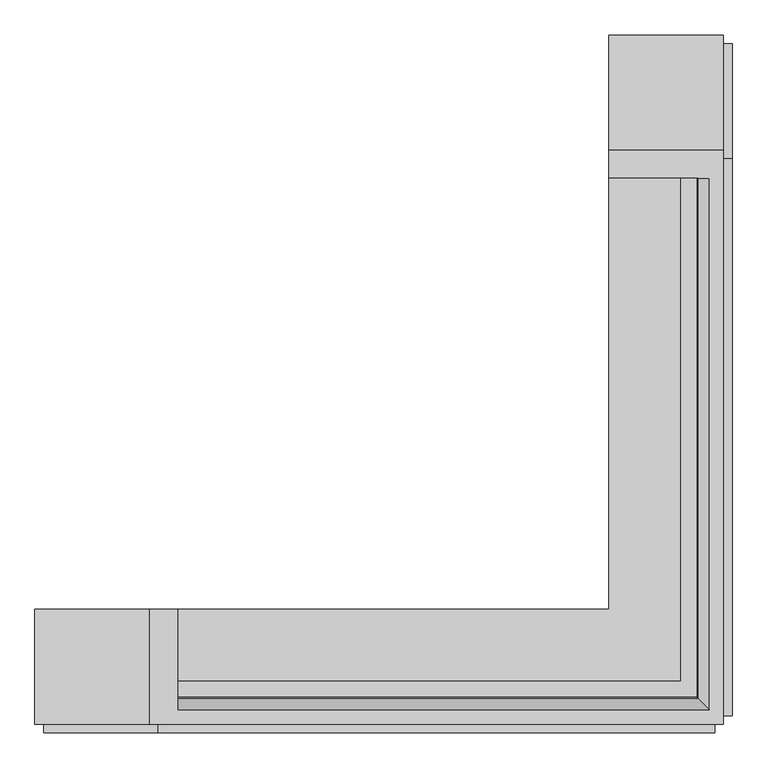
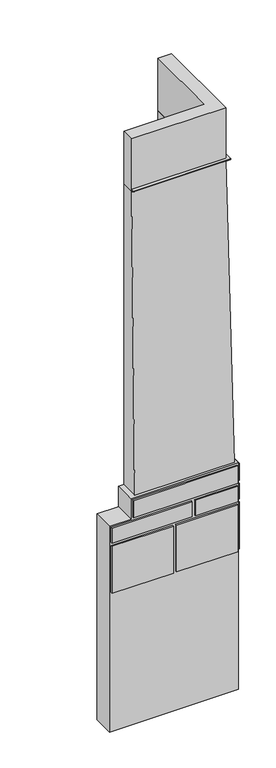
"""IFC4 building model written with IfcOpenShell, lengths in millimetres: furniture geometry."""

import ifcopenshell
import ifcopenshell.guid

model = None  # the IFC model being written
_history = None  # IfcOwnerHistory: only IFC2X3 demands one
_inside = {}  # id of a spatial element -> (the spatial element, [elements in it])
_under = {}  # id of a project, library or spatial element -> (it, [spatial elements below it])
_declared = {}  # id of a project -> (the project, [libraries it declares])
_typed = {}  # id of a type object -> (the type object, [elements of that type])
_made_of = {}  # id of a material, layer set ... -> (it, [elements and type objects made of it])


def new_model(schema):
    """Start an empty IFC model of exactly this schema.

    Asked for "IFC4X3", IfcOpenShell would pick the latest addendum, in which some entities
    have other attributes; the version numbers below select the first issue.
    IFC2X3 requires an IfcOwnerHistory on every rooted entity: one is made here for all.
    """
    global model, _history
    if schema == "IFC4X3":
        model = ifcopenshell.file(schema_version=(4, 3, 0, 0))
    else:
        model = ifcopenshell.file(schema=schema)
    _inside.clear()
    _under.clear()
    _declared.clear()
    _typed.clear()
    _made_of.clear()
    _history = None
    if model.schema == "IFC2X3":
        org = make("IfcOrganization", Name="unknown")
        user = make(
            "IfcPersonAndOrganization",
            ThePerson=make("IfcPerson", FamilyName="unknown"),
            TheOrganization=org,
        )
        app = make(
            "IfcApplication",
            ApplicationDeveloper=org,
            Version="unknown",
            ApplicationFullName="unknown",
            ApplicationIdentifier="unknown",
        )
        _history = make(
            "IfcOwnerHistory",
            OwningUser=user,
            OwningApplication=app,
            ChangeAction="ADDED",
            CreationDate=0,
        )
    return model


def make(cls, **values):
    """One entity of the class cls with the attributes given. An attribute that is None is left unset."""
    return model.create_entity(
        cls, **{name: value for name, value in values.items() if value is not None}
    )


def rooted(cls, **values):
    """An entity with a GlobalId (a new one), such as an element, a storey or a relation."""
    return make(cls, GlobalId=ifcopenshell.guid.new(), OwnerHistory=_history, **values)


def si_unit(unit_type, name, prefix=None):
    """IfcSIUnit, for example si_unit("LENGTHUNIT", "METRE", prefix="MILLI")."""
    return make("IfcSIUnit", UnitType=unit_type, Prefix=prefix, Name=name)


def assignment(units):
    """IfcUnitAssignment: the units of a project."""
    return None if units is None else make("IfcUnitAssignment", Units=units)


def point(xyz):
    """IfcCartesianPoint."""
    return None if xyz is None else make("IfcCartesianPoint", Coordinates=xyz)


def direction(xyz):
    """IfcDirection."""
    return None if xyz is None else make("IfcDirection", DirectionRatios=xyz)


def frame(location, z_axis=None, x_axis=None):
    """IfcAxis2Placement3D, a coordinate frame: its origin and axes. An axis left out is left unset."""
    return make(
        "IfcAxis2Placement3D",
        Location=point(location),
        Axis=direction(z_axis),
        RefDirection=direction(x_axis),
    )


def origin():
    """The frame at (0, 0, 0) with its axes left unset."""
    return frame((0.0, 0.0, 0.0))


def place(relative_to, where):
    """IfcLocalPlacement: puts the frame where relative to a parent placement (None: the world)."""
    return make(
        "IfcLocalPlacement", PlacementRelTo=relative_to, RelativePlacement=where
    )


def context(
    kind, dimensions, precision=None, world=None, true_north=None, identifier=None
):
    """IfcGeometricRepresentationContext, for example the 3D "Model" context."""
    return make(
        "IfcGeometricRepresentationContext",
        ContextIdentifier=identifier,
        ContextType=kind,
        CoordinateSpaceDimension=dimensions,
        Precision=precision,
        WorldCoordinateSystem=world,
        TrueNorth=true_north,
    )


def project(units=None, contexts=None):
    """IfcProject with its units and contexts."""
    return rooted(
        "IfcProject",
        Name="project",
        RepresentationContexts=contexts,
        UnitsInContext=assignment(units),
    )


def spatial(cls, under=None, at=None, **own):
    """A site, building, storey or space (cls), placed at a placement, below another one or the project."""
    s = rooted(cls, ObjectPlacement=at, **own)
    if under is not None:
        _under.setdefault(under.id(), (under, []))[1].append(s)
    return s


def polyline(points):
    """IfcPolyline through the points."""
    return make("IfcPolyline", Points=[point(p) for p in points])


def circle_curve(where, radius):
    """IfcCircle in the frame where."""
    return make("IfcCircle", Position=where, Radius=radius)


def ellipse_curve(where, semi_axis1, semi_axis2):
    """IfcEllipse in the frame where."""
    return make(
        "IfcEllipse", Position=where, SemiAxis1=semi_axis1, SemiAxis2=semi_axis2
    )


def outline(outer, holes=None, kind="AREA"):
    """IfcArbitraryClosedProfileDef: a profile drawn as a closed curve; with holes, ...WithVoids."""
    if holes is None:
        return make("IfcArbitraryClosedProfileDef", ProfileType=kind, OuterCurve=outer)
    return make(
        "IfcArbitraryProfileDefWithVoids",
        ProfileType=kind,
        OuterCurve=outer,
        InnerCurves=holes,
    )


def extrude(swept, where, along, depth):
    """IfcExtrudedAreaSolid: the profile swept, set in the frame where, extruded along a direction by depth."""
    return make(
        "IfcExtrudedAreaSolid",
        SweptArea=swept,
        Position=where,
        ExtrudedDirection=direction(along),
        Depth=depth,
    )


def faces_of(points, faces, orient=None, outer=None):
    """IfcFace entities. A face is a list of loops; a loop is a list of indices into points, from 0.

    orient and outer hold one flag for each loop. By default every Orientation is true, the
    first loop of a face is its IfcFaceOuterBound and the others are IfcFaceBound.
    """
    made = []
    for i, loops in enumerate(faces):
        bounds = []
        for j, loop in enumerate(loops):
            is_outer = j == 0 if outer is None else outer[i][j]
            bounds.append(
                make(
                    "IfcFaceOuterBound" if is_outer else "IfcFaceBound",
                    Bound=make("IfcPolyLoop", Polygon=[points[k] for k in loop]),
                    Orientation=True if orient is None else orient[i][j],
                )
            )
        made.append(make("IfcFace", Bounds=bounds))
    return made


def faceted_brep(points, faces, orient=None, outer=None, voids=None):
    """IfcFacetedBrep: a solid bounded by flat faces; with voids (closed shells), ...WithVoids."""
    shared = [point(p) for p in points]
    hull = make("IfcClosedShell", CfsFaces=faces_of(shared, faces, orient, outer))
    if voids is None:
        return make("IfcFacetedBrep", Outer=hull)
    return make(
        "IfcFacetedBrepWithVoids",
        Outer=hull,
        Voids=[
            make(cls, CfsFaces=faces_of(shared, fs, o, b)) for cls, fs, o, b in voids
        ],
    )


def shape(context_of_items, identifier, shape_type, items):
    """IfcShapeRepresentation: the items that make up one representation, for example the "Body"."""
    return make(
        "IfcShapeRepresentation",
        ContextOfItems=context_of_items,
        RepresentationIdentifier=identifier,
        RepresentationType=shape_type,
        Items=items,
    )


def source(mapping_origin, context_of_items, identifier, shape_type, items):
    """IfcRepresentationMap: a shape defined once, which mapped items show again and again."""
    return make(
        "IfcRepresentationMap",
        MappingOrigin=mapping_origin,
        MappedRepresentation=shape(context_of_items, identifier, shape_type, items),
    )


def transform(
    local_origin,
    x_axis=None,
    y_axis=None,
    z_axis=None,
    scale=None,
    scale2=None,
    scale3=None,
    uniform=True,
):
    """IfcCartesianTransformationOperator3D, or its non-uniform kind. x_axis, y_axis, z_axis: its Axis1, 2, 3."""
    if uniform:
        return make(
            "IfcCartesianTransformationOperator3D",
            Axis1=direction(x_axis),
            Axis2=direction(y_axis),
            LocalOrigin=point(local_origin),
            Scale=scale,
            Axis3=direction(z_axis),
        )
    return make(
        "IfcCartesianTransformationOperator3DnonUniform",
        Axis1=direction(x_axis),
        Axis2=direction(y_axis),
        LocalOrigin=point(local_origin),
        Scale=scale,
        Axis3=direction(z_axis),
        Scale2=scale2,
        Scale3=scale3,
    )


def mapped(mapping_source, mapping_target):
    """IfcMappedItem: shows the shape of a source again, moved by a transform."""
    return make(
        "IfcMappedItem", MappingSource=mapping_source, MappingTarget=mapping_target
    )


def made_of(thing, what):
    """Note that an element or type object is made of a material, layer set ...; save() writes the relation."""
    if what is not None:
        _made_of.setdefault(what.id(), (what, []))[1].append(thing)
    return thing


def element(
    cls,
    number,
    at=None,
    inside=None,
    cuts=None,
    type_object=None,
    material=None,
    context=None,
    identifier="Body",
    shape_type=None,
    held_by="IfcProductDefinitionShape",
    body=None,
    shapes=None,
    **own,
):
    """One element of the class cls, such as IfcWall. Its Tag is "e" and its number.

    at: its placement. inside: the storey or other place that contains it. cuts: it is an
    opening in that element (IfcRelVoidsElement). A single representation is given by context,
    identifier, shape_type and body (its items); several are given by shapes. held_by: the class
    of the entity that holds the representations. save() writes the other relations.
    """
    e = rooted(cls, Tag="e%d" % number, ObjectPlacement=at, **own)
    if body is not None:
        shapes = [shape(context, identifier, shape_type, body)]
    if shapes is not None:
        e.Representation = make(held_by, Representations=shapes)
    if inside is not None:
        _inside.setdefault(inside.id(), (inside, []))[1].append(e)
    if cuts is not None:
        rooted(
            "IfcRelVoidsElement", RelatingBuildingElement=cuts, RelatedOpeningElement=e
        )
    if type_object is not None:
        _typed.setdefault(type_object.id(), (type_object, []))[1].append(e)
    return made_of(e, material)


def aggregate(whole, parts):
    """IfcRelAggregates: a whole, such as a stair, and the parts it consists of."""
    return rooted("IfcRelAggregates", RelatingObject=whole, RelatedObjects=parts)


def save(model, path):
    """Write the relations noted so far, then the file.

    IfcRelAggregates (storeys below a building ...), IfcRelContainedInSpatialStructure (elements
    in a storey), IfcRelDefinesByType, IfcRelAssociatesMaterial and IfcRelDeclares: one each for
    every whole, place, type object, material and project.
    """
    for whole, parts in _under.values():
        aggregate(whole, parts)
    for where, things in _inside.values():
        rooted(
            "IfcRelContainedInSpatialStructure",
            RelatedElements=things,
            RelatingStructure=where,
        )
    for kind, things in _typed.values():
        rooted("IfcRelDefinesByType", RelatedObjects=things, RelatingType=kind)
    for what, things in _made_of.values():
        rooted("IfcRelAssociatesMaterial", RelatedObjects=things, RelatingMaterial=what)
    for by, libraries in _declared.values():
        rooted("IfcRelDeclares", RelatingContext=by, RelatedDefinitions=libraries)
    model.write(path)


def plane_surface(at):
    """IfcPlane: the flat surface through the origin of the frame at, square to its z axis."""
    return make("IfcPlane", Position=at)


def cylinder_surface(at, radius):
    """IfcCylindricalSurface: all points at the distance radius from the z axis of the frame at."""
    return make("IfcCylindricalSurface", Position=at, Radius=radius)


def advanced_brep(points, edges, surfaces, faces):
    """IfcAdvancedBrep: a solid bounded by faces that lie on surfaces and meet in shared edges.

    An edge is (start, end): straight between two places in points (the first is 0);
    or (start, end, curve); or (start, end, curve, False) where it runs against its curve.
    A face is (place in surfaces, loops), or (place, loops, False) where it looks against
    its surface's normal. A loop lists edges by number (the first is 1), with a minus sign
    where the edge is run from its end to its start. The first loop is the outer one.
    """
    corners = [point(p) for p in points]
    vertices = [make("IfcVertexPoint", VertexGeometry=c) for c in corners]
    made = []
    for start, end, *more in edges:
        made.append(
            make(
                "IfcEdgeCurve",
                EdgeStart=vertices[start],
                EdgeEnd=vertices[end],
                EdgeGeometry=more[0] if more else make("IfcPolyline", Points=[corners[start], corners[end]]),
                SameSense=more[1] if len(more) > 1 else True,
            )
        )
    hull = []
    for where, loops, *sense in faces:
        bounds = []
        for j, loop in enumerate(loops):
            ring = [make("IfcOrientedEdge", EdgeElement=made[abs(k) - 1], Orientation=k > 0) for k in loop]
            bounds.append(
                make(
                    "IfcFaceOuterBound" if j == 0 else "IfcFaceBound",
                    Bound=make("IfcEdgeLoop", EdgeList=ring),
                    Orientation=True,
                )
            )
        hull.append(make("IfcAdvancedFace", Bounds=bounds, FaceSurface=surfaces[where], SameSense=sense[0] if sense else True))
    return make("IfcAdvancedBrep", Outer=make("IfcClosedShell", CfsFaces=hull))


def furniture_474aa747(model_context):
    return source(origin(), model_context, "Body", "SolidModel", [
        faceted_brep([(310.2319964, -362.5924503, -130.0), (310.2319964, 1637.4075497, -130.0), (710.2319964, 1637.4075497, -130.0), (710.2319964, -762.5924503, -130.0), (-1689.7680036, -762.5924503, -130.0), (-1689.7680036, -362.5924503, -130.0), (310.2319964, 1637.4075497, 3910.0), (710.2319964, 1637.4075497, 3910.0), (-1689.7680036, -762.5924503, 3910.0), (-1689.7680036, -362.5924503, 3910.0), (-1289.7680036, -762.5924503, 3910.0), (-1289.7680036, -362.5924503, 3910.0), (310.2319964, 1237.4075497, 3910.0), (710.2319964, 1237.4075497, 3910.0), (310.2319964, -362.5924503, 4310.0), (-1289.7680036, -362.5924503, 4310.0), (-1289.7680036, -762.5924503, 4310.0), (710.2319964, -762.5924503, 4310.0), (710.2319964, 1237.4075497, 4310.0), (310.2319964, 1237.4075497, 4310.0)], [[[0, 1, 2, 3, 4, 5]], [[6, 7, 2, 1]], [[8, 9, 5, 4]], [[9, 8, 10, 11]], [[7, 6, 12, 13]], [[14, 15, 16, 17, 18, 19]], [[15, 14, 0, 5, 9, 11]], [[16, 15, 11, 10]], [[17, 16, 10, 8, 4, 3]], [[18, 17, 3, 2, 7, 13]], [[19, 18, 13, 12]], [[0, 14, 19, 12, 6, 1]]]),
        advanced_brep(
        [(-1189.7680036, -612.5924503, 10210.0), (-1189.7680036, -622.5924503, 10210.0), (-1189.7680036, -632.1318423, 10223.0), (-1189.7680036, -642.5924503, 10223.0), (-1189.7680036, -652.1318423, 10236.0), (-1189.7680036, -662.5924503, 10236.0), (-1189.7680036, -672.5924503, 10246.0), (-1189.7680036, -672.5924503, 10249.0), (-1189.7680036, -669.4147832, 10252.177667), (-1189.7680036, -612.5924503, 10252.177667), (560.2319964, -612.5924503, 10210.0), (560.2319964, 1137.4075497, 10210.0), (570.2319964, 1137.4075497, 10210.0), (570.2319964, -622.5924503, 10210.0), (579.7713884, -632.1318423, 10223.0), (579.7713884, 1137.4075497, 10223.0), (590.2319964, 1137.4075497, 10223.0), (590.2319964, -642.5924503, 10223.0), (599.7713884, -652.1318423, 10236.0), (599.7713884, 1137.4075497, 10236.0), (610.2319964, 1137.4075497, 10236.0), (610.2319964, -662.5924503, 10236.0), (620.2319964, -672.5924503, 10246.0), (620.2319964, -672.5924503, 10249.0), (617.0543293, -669.4147832, 10252.177667), (617.0543293, 1137.4075497, 10252.177667), (560.2319964, 1137.4075497, 10252.177667), (560.2319964, -612.5924503, 10252.177667), (620.2319964, 1137.4075497, 10249.0), (620.2319964, 1137.4075497, 10246.0)],
        [
            (0, 1),
            (1, 2, circle_curve(frame((-1189.7680036, -622.5924503, 10220.0), z_axis=(-1.0, 0.0, 0.0), x_axis=(0.0, -1.0, 0.0)), 10.0)),
            (2, 3),
            (3, 4, circle_curve(frame((-1189.7680036, -642.5924503, 10233.0), z_axis=(-1.0, 0.0, 0.0), x_axis=(0.0, -1.0, 0.0)), 10.0)),
            (4, 5),
            (5, 6, circle_curve(frame((-1189.7680036, -662.5924503, 10246.0), z_axis=(-1.0, 0.0, 0.0), x_axis=(0.0, -1.0, 0.0)), 10.0)),
            (6, 7),
            (7, 8, circle_curve(frame((-1189.7680036, -669.4147832, 10249.0), z_axis=(-1.0, 0.0, 0.0), x_axis=(0.0, -1.0, 0.0)), 3.177667)),
            (8, 9),
            (9, 0),
            (0, 10),
            (10, 11),
            (11, 12),
            (12, 13),
            (13, 1),
            (13, 14, ellipse_curve(frame((570.2319964, -622.5924503, 10220.0), z_axis=(-0.7071067811865475, -0.7071067811865476, 0.0), x_axis=(-0.7071067811865476, 0.7071067811865475, 0.0)), 14.1421356, 10.0)),
            (14, 2),
            (14, 15),
            (15, 16),
            (16, 17),
            (17, 3),
            (17, 18, ellipse_curve(frame((590.2319964, -642.5924503, 10233.0), z_axis=(-0.7071067811865475, -0.7071067811865476, 0.0), x_axis=(-0.7071067811865476, 0.7071067811865475, 0.0)), 14.1421356, 10.0)),
            (18, 4),
            (18, 19),
            (19, 20),
            (20, 21),
            (21, 5),
            (21, 22, ellipse_curve(frame((610.2319964, -662.5924503, 10246.0), z_axis=(-0.7071067811865475, -0.7071067811865476, 0.0), x_axis=(-0.7071067811865476, 0.7071067811865475, 0.0)), 14.1421356, 10.0)),
            (22, 6),
            (7, 23),
            (23, 24, ellipse_curve(frame((617.0543293, -669.4147832, 10249.0), z_axis=(-0.7071067811865475, -0.7071067811865476, 0.0), x_axis=(-0.7071067811865476, 0.7071067811865475, 0.0)), 4.4938998, 3.177667)),
            (24, 8),
            (24, 25),
            (25, 26),
            (26, 27),
            (27, 9),
            (27, 10),
            (11, 26),
            (25, 28, circle_curve(frame((617.0543293, 1137.4075497, 10249.0), z_axis=(0.0, 1.0, 0.0), x_axis=(1.0, 0.0, 0.0)), 3.177667)),
            (28, 29),
            (29, 20, circle_curve(frame((610.2319964, 1137.4075497, 10246.0), z_axis=(0.0, 1.0, 0.0), x_axis=(1.0, 0.0, 0.0)), 10.0)),
            (19, 16, circle_curve(frame((590.2319964, 1137.4075497, 10233.0), z_axis=(0.0, 1.0, 0.0), x_axis=(1.0, 0.0, 0.0)), 10.0)),
            (15, 12, circle_curve(frame((570.2319964, 1137.4075497, 10220.0), z_axis=(0.0, 1.0, 0.0), x_axis=(1.0, 0.0, 0.0)), 10.0)),
            (29, 22),
            (23, 28),
            (22, 23),
        ],
        [
            plane_surface(frame((-1189.7680036, -612.5924503, 10210.0), z_axis=(-1.0, 0.0, 0.0), x_axis=(0.0, 0.0, 1.0))),
            plane_surface(frame((-1189.7680036, -612.5924503, 10210.0), z_axis=(0.0, 0.0, -1.0), x_axis=(1.0, 0.0, 0.0))),
            cylinder_surface(frame((-1189.7680036, -622.5924503, 10220.0), z_axis=(-1.0, 0.0, 0.0), x_axis=(0.0, -1.0, 0.0)), 10.0),
            plane_surface(frame((-1189.7680036, -632.1318423, 10223.0), z_axis=(0.0, 0.0, -1.0), x_axis=(1.0, 0.0, 0.0))),
            cylinder_surface(frame((-1189.7680036, -642.5924503, 10233.0), z_axis=(-1.0, 0.0, 0.0), x_axis=(0.0, -1.0, 0.0)), 10.0),
            plane_surface(frame((-1189.7680036, -652.1318423, 10236.0), z_axis=(0.0, 0.0, -1.0), x_axis=(1.0, 0.0, 0.0))),
            cylinder_surface(frame((-1189.7680036, -662.5924503, 10246.0), z_axis=(-1.0, 0.0, 0.0), x_axis=(0.0, -1.0, 0.0)), 10.0),
            cylinder_surface(frame((-1189.7680036, -669.4147832, 10249.0), z_axis=(-1.0, 0.0, 0.0), x_axis=(0.0, -1.0, 0.0)), 3.177667),
            plane_surface(frame((-1189.7680036, -669.4147832, 10252.177667), z_axis=(0.0, 0.0, 1.0), x_axis=(1.0, 0.0, 0.0))),
            plane_surface(frame((-1189.7680036, -612.5924503, 10252.177667), z_axis=(0.0, 1.0, 0.0), x_axis=(1.0, 0.0, 0.0))),
            plane_surface(frame((560.2319964, 1137.4075497, 10210.0), z_axis=(0.0, 1.0, 0.0), x_axis=(0.0, 0.0, 1.0))),
            cylinder_surface(frame((570.2319964, -612.5924503, 10220.0), z_axis=(0.0, -1.0, 0.0), x_axis=(1.0, 0.0, 0.0)), 10.0),
            cylinder_surface(frame((590.2319964, -612.5924503, 10233.0), z_axis=(0.0, -1.0, 0.0), x_axis=(1.0, 0.0, 0.0)), 10.0),
            cylinder_surface(frame((610.2319964, -612.5924503, 10246.0), z_axis=(0.0, -1.0, 0.0), x_axis=(1.0, 0.0, 0.0)), 10.0),
            cylinder_surface(frame((617.0543293, -612.5924503, 10249.0), z_axis=(0.0, -1.0, 0.0), x_axis=(1.0, 0.0, 0.0)), 3.177667),
            plane_surface(frame((560.2319964, -612.5924503, 10252.177667), z_axis=(-1.0, 0.0, 0.0), x_axis=(0.0, 1.0, 0.0))),
            plane_surface(frame((-1189.7680036, -672.5924503, 10246.0), z_axis=(0.0, -1.0, 0.0), x_axis=(1.0, 0.0, 0.0))),
            plane_surface(frame((620.2319964, -672.5924503, 10246.0), z_axis=(1.0, 0.0, 0.0), x_axis=(0.0, 1.0, 0.0))),
        ],
        [
            (0, [[1, 2, 3, 4, 5, 6, 7, 8, 9, 10]]),
            (1, [[-1, 11, 12, 13, 14, 15]]),
            (2, [[-2, -15, 16, 17]]),
            (3, [[-3, -17, 18, 19, 20, 21]]),
            (4, [[-4, -21, 22, 23]]),
            (5, [[-5, -23, 24, 25, 26, 27]]),
            (6, [[-6, -27, 28, 29]]),
            (7, [[-8, 30, 31, 32]]),
            (8, [[-9, -32, 33, 34, 35, 36]]),
            (9, [[-10, -36, 37, -11]]),
            (10, [[38, -34, 39, 40, 41, -25, 42, -19, 43, -13]]),
            (11, [[-16, -14, -43, -18]]),
            (12, [[-22, -20, -42, -24]]),
            (13, [[-28, -26, -41, 44]]),
            (14, [[-31, 45, -39, -33]]),
            (15, [[-37, -35, -38, -12]]),
            (16, [[-7, -29, 46, -30]]),
            (17, [[-46, -44, -40, -45]]),
        ],
    ),
        extrude(outline(polyline([(740.2003264, 1207.4075497), (740.2003264, -732.5924503), (710.2319964, -732.5924503), (710.2319964, 1207.4075497), (740.2003264, 1207.4075497)])), frame((0.0, 0.0, 3940.0), z_axis=(0.0, 0.0, 1.0), x_axis=(1.0, 0.0, 0.0)), (0.0, 0.0, 1.0), 340.0),
        extrude(outline(polyline([(740.2003264, 57.4075497), (740.2003264, -732.5924503), (710.2319964, -732.5924503), (710.2319964, 57.4075497), (740.2003264, 57.4075497)])), frame((0.0, 0.0, 3580.0), z_axis=(0.0, 0.0, 1.0), x_axis=(1.0, 0.0, 0.0)), (0.0, 0.0, 1.0), 300.0),
        extrude(outline(polyline([(740.2003264, 407.4075497), (740.2003264, -732.5924503), (710.2319964, -732.5924503), (710.2319964, 407.4075497), (740.2003264, 407.4075497)])), frame((0.0, 0.0, 2600.0), z_axis=(0.0, 0.0, 1.0), x_axis=(1.0, 0.0, 0.0)), (0.0, 0.0, 1.0), 920.0),
        extrude(outline(polyline([(740.2003264, 1607.4075497), (740.2003264, 117.4075497), (710.2319964, 117.4075497), (710.2319964, 1607.4075497), (740.2003264, 1607.4075497)])), frame((0.0, 0.0, 3580.0), z_axis=(0.0, 0.0, 1.0), x_axis=(1.0, 0.0, 0.0)), (0.0, 0.0, 1.0), 300.0),
        extrude(outline(polyline([(740.2003264, 1607.4075497), (740.2003264, 467.4075497), (710.2319964, 467.4075497), (710.2319964, 1607.4075497), (740.2003264, 1607.4075497)])), frame((0.0, 0.0, 2600.0), z_axis=(0.0, 0.0, 1.0), x_axis=(1.0, 0.0, 0.0)), (0.0, 0.0, 1.0), 920.0),
        extrude(outline(polyline([(680.2319964, -792.6), (-1259.7680036, -792.6), (-1259.7680036, -762.5924503), (680.2319964, -762.5924503), (680.2319964, -792.6)])), frame((0.0, 0.0, 3940.0), z_axis=(0.0, 0.0, 1.0), x_axis=(1.0, 0.0, 0.0)), (0.0, 0.0, 1.0), 340.0),
        extrude(outline(polyline([(-169.7680036, -792.6), (-1659.7680036, -792.6), (-1659.7680036, -762.5924503), (-169.7680036, -762.5924503), (-169.7680036, -792.6)])), frame((0.0, 0.0, 3580.0), z_axis=(0.0, 0.0, 1.0), x_axis=(1.0, 0.0, 0.0)), (0.0, 0.0, 1.0), 300.0),
        extrude(outline(polyline([(680.2319964, -792.6), (-109.7680036, -792.6), (-109.7680036, -762.5924503), (680.2319964, -762.5924503), (680.2319964, -792.6)])), frame((0.0, 0.0, 3580.0), z_axis=(0.0, 0.0, 1.0), x_axis=(1.0, 0.0, 0.0)), (0.0, 0.0, 1.0), 300.0),
        extrude(outline(polyline([(-519.7680036, -792.6), (-1659.7680036, -792.6), (-1659.7680036, -762.5924503), (-519.7680036, -762.5924503), (-519.7680036, -792.6)])), frame((0.0, 0.0, 2600.0), z_axis=(0.0, 0.0, 1.0), x_axis=(1.0, 0.0, 0.0)), (0.0, 0.0, 1.0), 920.0),
        extrude(outline(polyline([(680.2319964, -792.6), (-459.7680036, -792.6), (-459.7680036, -762.5924503), (680.2319964, -762.5924503), (680.2319964, -792.6)])), frame((0.0, 0.0, 2600.0), z_axis=(0.0, 0.0, 1.0), x_axis=(1.0, 0.0, 0.0)), (0.0, 0.0, 1.0), 920.0),
        extrude(outline(polyline([(-1189.7680036, -362.5924503), (310.2319964, -362.5924503), (310.2319964, 1137.4075497), (560.2319964, 1137.4075497), (560.2319964, -612.5924503), (-1189.7680036, -612.5924503), (-1189.7680036, -362.5924503)])), frame((0.0, 0.0, 10210.0), z_axis=(0.0, 0.0, 1.0), x_axis=(1.0, 0.0, 0.0)), (0.0, 0.0, 1.0), 1030.0),
        faceted_brep([(310.2319964, 1137.4075497, 10210.0), (310.2319964, -362.5924503, 10210.0), (-1189.7680036, -362.5924503, 10210.0), (-1189.7680036, -612.5924503, 10210.0), (560.2319964, -612.5924503, 10210.0), (560.2319964, 1137.4075497, 10210.0), (310.2319964, 1137.4075497, 4310.0), (660.2319964, 1137.4075497, 4310.0), (660.2319964, -712.5924503, 4310.0), (-1189.7680036, -712.5924503, 4310.0), (-1189.7680036, -362.5924503, 4310.0), (310.2319964, -362.5924503, 4310.0)], [[[0, 1, 2, 3, 4, 5]], [[6, 7, 8, 9, 10, 11]], [[6, 11, 1, 0]], [[11, 10, 2, 1]], [[10, 9, 3, 2]], [[9, 8, 4, 3]], [[8, 7, 5, 4]], [[7, 6, 0, 5]]]),
    ])


if __name__ == "__main__":
    model = new_model("IFC4")
    model_context = context("Model", 3, world=origin())
    ifc_project = project(units=[si_unit("LENGTHUNIT", "METRE", prefix="MILLI")], contexts=[model_context])
    site = spatial("IfcSite", under=ifc_project)
    building = spatial("IfcBuilding", under=site)
    placement = place(None, origin())
    furniture_shape = furniture_474aa747(model_context)
    element("IfcFurniture", 1, at=placement, inside=building, context=model_context, shape_type="MappedRepresentation", body=[
        mapped(furniture_shape, transform((0.0, 0.0, 0.0), x_axis=(1.0, 0.0, 0.0), y_axis=(0.0, 1.0, 0.0), z_axis=(0.0, 0.0, 1.0))),
    ])
    save(model, "model.ifc")
